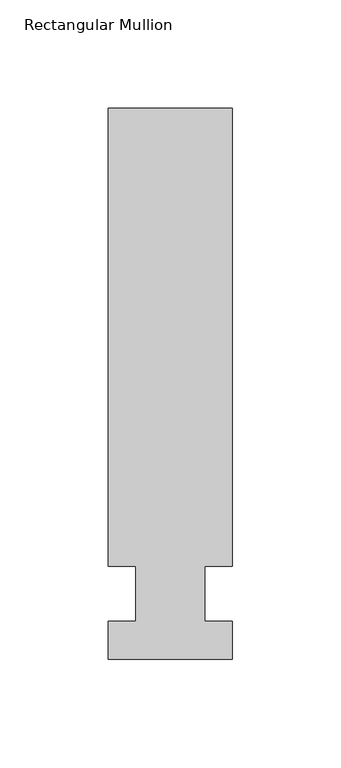
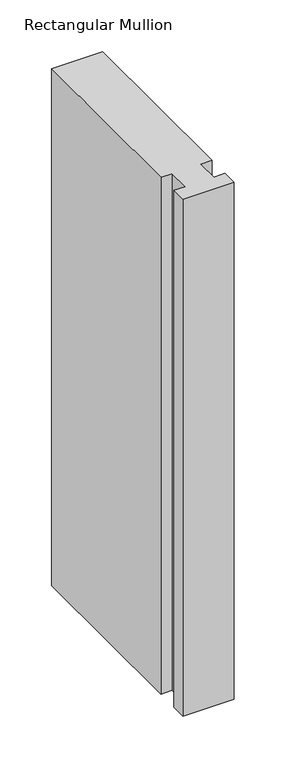
"""IFC4 building model written with IfcOpenShell, lengths in millimetres: member geometry, Rectangular Mullion."""

from ifc_helpers import new_model, si_unit, frame, origin, place, context, project, spatial, polyline, outline, extrude, source, transform, mapped, element, save


def rectangular_mullion_6483c1f1(model_context):
    return source(origin(), model_context, "Body", "SweptSolid", [
        extrude(outline(polyline([(28.575, 223.8375), (28.575, 12.7), (15.8732296, 12.7), (15.8732296, -12.7), (28.575, -12.7), (28.575, -30.1625), (-28.575, -30.1625), (-28.575, -12.7), (-15.875, -12.7), (-15.875, 12.7), (-28.575, 12.7), (-28.575, 223.8375), (28.575, 223.8375)])), frame((0.0, 0.0, -609.6), z_axis=(0.0, 0.0, 1.0), x_axis=(1.0, 0.0, 0.0)), (0.0, 0.0, 1.0), 609.6),
    ])


if __name__ == "__main__":
    model = new_model("IFC4")
    model_context = context("Model", 3, world=origin())
    ifc_project = project(units=[si_unit("LENGTHUNIT", "METRE", prefix="MILLI")], contexts=[model_context])
    site = spatial("IfcSite", under=ifc_project)
    building = spatial("IfcBuilding", under=site)
    placement = place(None, origin())
    rectangular_mullion_shape = rectangular_mullion_6483c1f1(model_context)
    element("IfcMember", 1, ObjectType="Rectangular Mullion", at=placement, inside=building, context=model_context, shape_type="MappedRepresentation", body=[
        mapped(rectangular_mullion_shape, transform((0.0, 0.0, 0.0), x_axis=(1.0, 0.0, 0.0), y_axis=(0.0, 1.0, 0.0), z_axis=(0.0, 0.0, 1.0))),
    ])
    save(model, "model.ifc")
